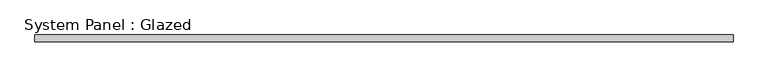
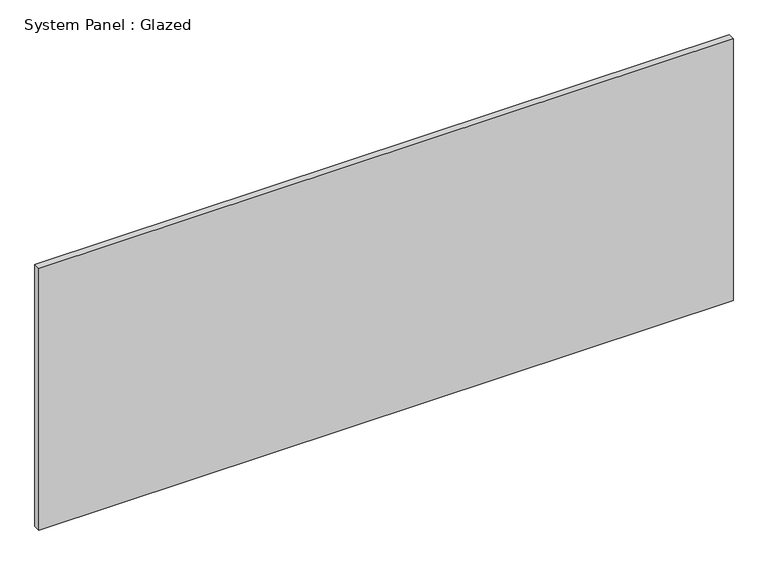
"""IFC4 building model written with IfcOpenShell, lengths in millimetres: plate geometry, System Panel : Glazed."""

from ifc_helpers import new_model, si_unit, origin, origin_with_axes, place, context, project, spatial, polyline, outline, extrude, source, transform, mapped, element, save


def system_panel_glazed_63f474c4(model_context):
    return source(origin(), model_context, "Body", "SweptSolid", [
        extrude(outline(polyline([(1297.78125, 19.05), (-1297.78125, 19.05), (-1297.78125, 44.45), (1297.78125, 44.45), (1297.78125, 19.05)])), origin_with_axes(), (0.0, 0.0, 1.0), 1035.05),
    ])


if __name__ == "__main__":
    model = new_model("IFC4")
    model_context = context("Model", 3, world=origin())
    ifc_project = project(units=[si_unit("LENGTHUNIT", "METRE", prefix="MILLI")], contexts=[model_context])
    site = spatial("IfcSite", under=ifc_project)
    building = spatial("IfcBuilding", under=site)
    placement = place(None, origin())
    system_panel_glazed_shape = system_panel_glazed_63f474c4(model_context)
    element("IfcPlate", 1, ObjectType="System Panel : Glazed", at=placement, inside=building, context=model_context, shape_type="MappedRepresentation", body=[
        mapped(system_panel_glazed_shape, transform((0.0, 0.0, 0.0), x_axis=(1.0, 0.0, 0.0), y_axis=(0.0, 1.0, 0.0), z_axis=(0.0, 0.0, 1.0))),
    ])
    save(model, "model.ifc")
